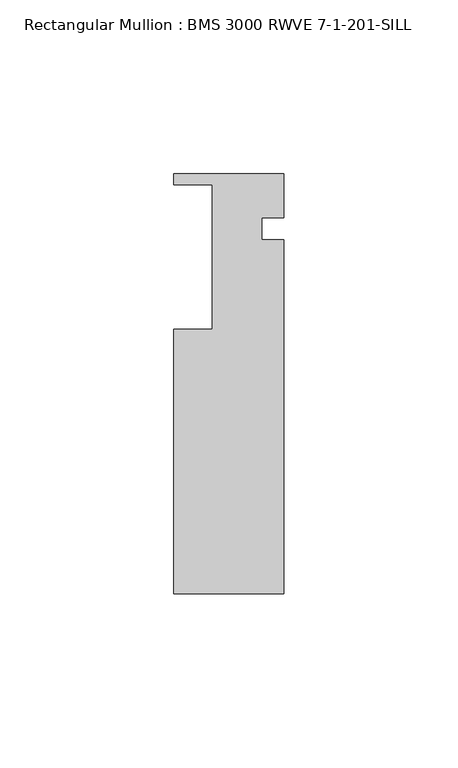
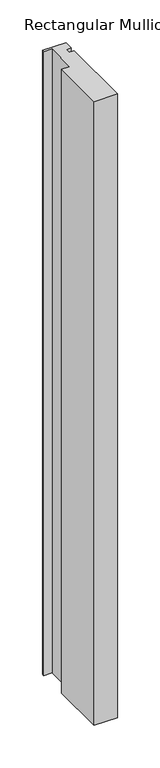
"""IFC4 building model written with IfcOpenShell, lengths in millimetres: member geometry, Rectangular Mullion : BMS 3000 RWVE 7-1-201-SILL."""

import ifcopenshell
import ifcopenshell.guid

model = None  # the IFC model being written
_history = None  # IfcOwnerHistory: only IFC2X3 demands one
_inside = {}  # id of a spatial element -> (the spatial element, [elements in it])
_under = {}  # id of a project, library or spatial element -> (it, [spatial elements below it])
_declared = {}  # id of a project -> (the project, [libraries it declares])
_typed = {}  # id of a type object -> (the type object, [elements of that type])
_made_of = {}  # id of a material, layer set ... -> (it, [elements and type objects made of it])


def new_model(schema):
    """Start an empty IFC model of exactly this schema.

    Asked for "IFC4X3", IfcOpenShell would pick the latest addendum, in which some entities
    have other attributes; the version numbers below select the first issue.
    IFC2X3 requires an IfcOwnerHistory on every rooted entity: one is made here for all.
    """
    global model, _history
    if schema == "IFC4X3":
        model = ifcopenshell.file(schema_version=(4, 3, 0, 0))
    else:
        model = ifcopenshell.file(schema=schema)
    _inside.clear()
    _under.clear()
    _declared.clear()
    _typed.clear()
    _made_of.clear()
    _history = None
    if model.schema == "IFC2X3":
        org = make("IfcOrganization", Name="unknown")
        user = make(
            "IfcPersonAndOrganization",
            ThePerson=make("IfcPerson", FamilyName="unknown"),
            TheOrganization=org,
        )
        app = make(
            "IfcApplication",
            ApplicationDeveloper=org,
            Version="unknown",
            ApplicationFullName="unknown",
            ApplicationIdentifier="unknown",
        )
        _history = make(
            "IfcOwnerHistory",
            OwningUser=user,
            OwningApplication=app,
            ChangeAction="ADDED",
            CreationDate=0,
        )
    return model


def make(cls, **values):
    """One entity of the class cls with the attributes given. An attribute that is None is left unset."""
    return model.create_entity(
        cls, **{name: value for name, value in values.items() if value is not None}
    )


def rooted(cls, **values):
    """An entity with a GlobalId (a new one), such as an element, a storey or a relation."""
    return make(cls, GlobalId=ifcopenshell.guid.new(), OwnerHistory=_history, **values)


def si_unit(unit_type, name, prefix=None):
    """IfcSIUnit, for example si_unit("LENGTHUNIT", "METRE", prefix="MILLI")."""
    return make("IfcSIUnit", UnitType=unit_type, Prefix=prefix, Name=name)


def assignment(units):
    """IfcUnitAssignment: the units of a project."""
    return None if units is None else make("IfcUnitAssignment", Units=units)


def point(xyz):
    """IfcCartesianPoint."""
    return None if xyz is None else make("IfcCartesianPoint", Coordinates=xyz)


def direction(xyz):
    """IfcDirection."""
    return None if xyz is None else make("IfcDirection", DirectionRatios=xyz)


def frame(location, z_axis=None, x_axis=None):
    """IfcAxis2Placement3D, a coordinate frame: its origin and axes. An axis left out is left unset."""
    return make(
        "IfcAxis2Placement3D",
        Location=point(location),
        Axis=direction(z_axis),
        RefDirection=direction(x_axis),
    )


def origin():
    """The frame at (0, 0, 0) with its axes left unset."""
    return frame((0.0, 0.0, 0.0))


def place(relative_to, where):
    """IfcLocalPlacement: puts the frame where relative to a parent placement (None: the world)."""
    return make(
        "IfcLocalPlacement", PlacementRelTo=relative_to, RelativePlacement=where
    )


def context(
    kind, dimensions, precision=None, world=None, true_north=None, identifier=None
):
    """IfcGeometricRepresentationContext, for example the 3D "Model" context."""
    return make(
        "IfcGeometricRepresentationContext",
        ContextIdentifier=identifier,
        ContextType=kind,
        CoordinateSpaceDimension=dimensions,
        Precision=precision,
        WorldCoordinateSystem=world,
        TrueNorth=true_north,
    )


def project(units=None, contexts=None):
    """IfcProject with its units and contexts."""
    return rooted(
        "IfcProject",
        Name="project",
        RepresentationContexts=contexts,
        UnitsInContext=assignment(units),
    )


def spatial(cls, under=None, at=None, **own):
    """A site, building, storey or space (cls), placed at a placement, below another one or the project."""
    s = rooted(cls, ObjectPlacement=at, **own)
    if under is not None:
        _under.setdefault(under.id(), (under, []))[1].append(s)
    return s


def polyline(points):
    """IfcPolyline through the points."""
    return make("IfcPolyline", Points=[point(p) for p in points])


def outline(outer, holes=None, kind="AREA"):
    """IfcArbitraryClosedProfileDef: a profile drawn as a closed curve; with holes, ...WithVoids."""
    if holes is None:
        return make("IfcArbitraryClosedProfileDef", ProfileType=kind, OuterCurve=outer)
    return make(
        "IfcArbitraryProfileDefWithVoids",
        ProfileType=kind,
        OuterCurve=outer,
        InnerCurves=holes,
    )


def extrude(swept, where, along, depth):
    """IfcExtrudedAreaSolid: the profile swept, set in the frame where, extruded along a direction by depth."""
    return make(
        "IfcExtrudedAreaSolid",
        SweptArea=swept,
        Position=where,
        ExtrudedDirection=direction(along),
        Depth=depth,
    )


def shape(context_of_items, identifier, shape_type, items):
    """IfcShapeRepresentation: the items that make up one representation, for example the "Body"."""
    return make(
        "IfcShapeRepresentation",
        ContextOfItems=context_of_items,
        RepresentationIdentifier=identifier,
        RepresentationType=shape_type,
        Items=items,
    )


def source(mapping_origin, context_of_items, identifier, shape_type, items):
    """IfcRepresentationMap: a shape defined once, which mapped items show again and again."""
    return make(
        "IfcRepresentationMap",
        MappingOrigin=mapping_origin,
        MappedRepresentation=shape(context_of_items, identifier, shape_type, items),
    )


def transform(
    local_origin,
    x_axis=None,
    y_axis=None,
    z_axis=None,
    scale=None,
    scale2=None,
    scale3=None,
    uniform=True,
):
    """IfcCartesianTransformationOperator3D, or its non-uniform kind. x_axis, y_axis, z_axis: its Axis1, 2, 3."""
    if uniform:
        return make(
            "IfcCartesianTransformationOperator3D",
            Axis1=direction(x_axis),
            Axis2=direction(y_axis),
            LocalOrigin=point(local_origin),
            Scale=scale,
            Axis3=direction(z_axis),
        )
    return make(
        "IfcCartesianTransformationOperator3DnonUniform",
        Axis1=direction(x_axis),
        Axis2=direction(y_axis),
        LocalOrigin=point(local_origin),
        Scale=scale,
        Axis3=direction(z_axis),
        Scale2=scale2,
        Scale3=scale3,
    )


def mapped(mapping_source, mapping_target):
    """IfcMappedItem: shows the shape of a source again, moved by a transform."""
    return make(
        "IfcMappedItem", MappingSource=mapping_source, MappingTarget=mapping_target
    )


def made_of(thing, what):
    """Note that an element or type object is made of a material, layer set ...; save() writes the relation."""
    if what is not None:
        _made_of.setdefault(what.id(), (what, []))[1].append(thing)
    return thing


def element(
    cls,
    number,
    at=None,
    inside=None,
    cuts=None,
    type_object=None,
    material=None,
    context=None,
    identifier="Body",
    shape_type=None,
    held_by="IfcProductDefinitionShape",
    body=None,
    shapes=None,
    **own,
):
    """One element of the class cls, such as IfcWall. Its Tag is "e" and its number.

    at: its placement. inside: the storey or other place that contains it. cuts: it is an
    opening in that element (IfcRelVoidsElement). A single representation is given by context,
    identifier, shape_type and body (its items); several are given by shapes. held_by: the class
    of the entity that holds the representations. save() writes the other relations.
    """
    e = rooted(cls, Tag="e%d" % number, ObjectPlacement=at, **own)
    if body is not None:
        shapes = [shape(context, identifier, shape_type, body)]
    if shapes is not None:
        e.Representation = make(held_by, Representations=shapes)
    if inside is not None:
        _inside.setdefault(inside.id(), (inside, []))[1].append(e)
    if cuts is not None:
        rooted(
            "IfcRelVoidsElement", RelatingBuildingElement=cuts, RelatedOpeningElement=e
        )
    if type_object is not None:
        _typed.setdefault(type_object.id(), (type_object, []))[1].append(e)
    return made_of(e, material)


def aggregate(whole, parts):
    """IfcRelAggregates: a whole, such as a stair, and the parts it consists of."""
    return rooted("IfcRelAggregates", RelatingObject=whole, RelatedObjects=parts)


def save(model, path):
    """Write the relations noted so far, then the file.

    IfcRelAggregates (storeys below a building ...), IfcRelContainedInSpatialStructure (elements
    in a storey), IfcRelDefinesByType, IfcRelAssociatesMaterial and IfcRelDeclares: one each for
    every whole, place, type object, material and project.
    """
    for whole, parts in _under.values():
        aggregate(whole, parts)
    for where, things in _inside.values():
        rooted(
            "IfcRelContainedInSpatialStructure",
            RelatedElements=things,
            RelatingStructure=where,
        )
    for kind, things in _typed.values():
        rooted("IfcRelDefinesByType", RelatedObjects=things, RelatingType=kind)
    for what, things in _made_of.values():
        rooted("IfcRelAssociatesMaterial", RelatedObjects=things, RelatingMaterial=what)
    for by, libraries in _declared.values():
        rooted("IfcRelDeclares", RelatingContext=by, RelatedDefinitions=libraries)
    model.write(path)


def rectangular_mullion_bms_3000_rwve_7_1_201_sill_b684e671(model_context):
    return source(origin(), model_context, "Body", "SweptSolid", [
        extrude(outline(polyline([(-31.7542023, -127.5957419), (-31.7542023, -51.3953125), (-20.6297451, -51.3953125), (-20.6251503, -9.7663695), (-31.7503502, -9.7651416), (-31.7499998, -6.5901416), (0.0, -6.593646), (-0.0014018, -19.2936459), (-6.3514017, -19.2929451), (-6.3521026, -25.642945), (-0.0021026, -25.6436459), (-0.013356, -127.5992453), (-31.7542023, -127.5957419)])), frame((0.0, 0.0, -894.197475), z_axis=(0.0, 0.0, 1.0), x_axis=(1.0, 0.0, 0.0)), (0.0, 0.0, 1.0), 894.197475),
    ])


if __name__ == "__main__":
    model = new_model("IFC4")
    model_context = context("Model", 3, world=origin())
    ifc_project = project(units=[si_unit("LENGTHUNIT", "METRE", prefix="MILLI")], contexts=[model_context])
    site = spatial("IfcSite", under=ifc_project)
    building = spatial("IfcBuilding", under=site)
    placement = place(None, origin())
    rectangular_mullion_bms_3000_rwve_7_1_201_sill_shape = rectangular_mullion_bms_3000_rwve_7_1_201_sill_b684e671(model_context)
    element("IfcMember", 1, ObjectType="Rectangular Mullion : BMS 3000 RWVE 7-1-201-SILL", at=placement, inside=building, context=model_context, shape_type="MappedRepresentation", body=[
        mapped(rectangular_mullion_bms_3000_rwve_7_1_201_sill_shape, transform((0.0, 0.0, 0.0), x_axis=(1.0, 0.0, 0.0), y_axis=(0.0, 1.0, 0.0), z_axis=(0.0, 0.0, 1.0))),
    ])
    save(model, "model.ifc")
